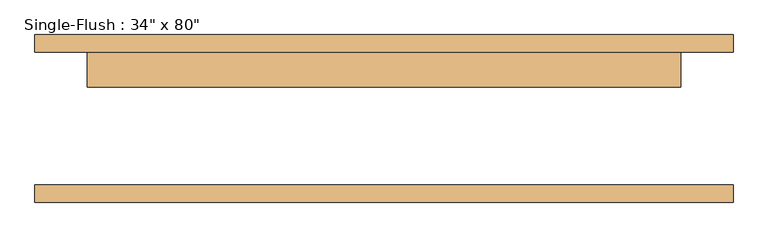
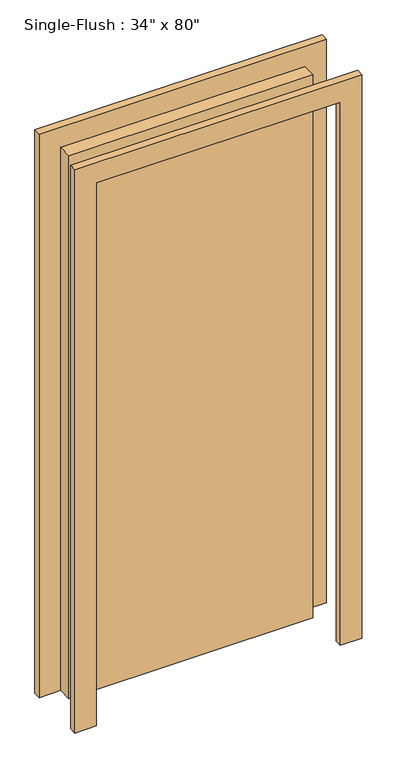
"""IFC4 building model written with IfcOpenShell, lengths in millimetres: door geometry."""

from ifc_helpers import new_model, si_unit, frame, origin, origin_with_axes, place, context, project, spatial, polyline, outline, extrude, source, transform, mapped, element, save


def door_eb1e2ad5(model_context):
    return source(origin(), model_context, "Body", "SweptSolid", [
        extrude(outline(polyline([(2108.2, -508.0), (0.0, -508.0), (0.0, -431.8), (2032.0, -431.8), (2032.0, 431.8), (0.0, 431.8), (0.0, 508.0), (2108.2, 508.0), (2108.2, -508.0)])), frame((0.0, 96.8375, 0.0), z_axis=(0.0, 1.0, 0.0), x_axis=(0.0, 0.0, 1.0)), (0.0, 0.0, 1.0), 25.4),
        extrude(outline(polyline([(2108.2, 508.0), (2108.2, -508.0), (0.0, -508.0), (0.0, -431.8), (2032.0, -431.8), (2032.0, 431.8), (0.0, 431.8), (0.0, 508.0), (2108.2, 508.0)])), frame((0.0, -122.2375, 0.0), z_axis=(0.0, 1.0, 0.0), x_axis=(0.0, 0.0, 1.0)), (0.0, 0.0, 1.0), 25.4),
        extrude(outline(polyline([(431.8, 46.0375), (-431.8, 46.0375), (-431.8, 96.8375), (431.8, 96.8375), (431.8, 46.0375)])), origin_with_axes(), (0.0, 0.0, 1.0), 2032.0),
    ])


if __name__ == "__main__":
    model = new_model("IFC4")
    model_context = context("Model", 3, world=origin())
    ifc_project = project(units=[si_unit("LENGTHUNIT", "METRE", prefix="MILLI")], contexts=[model_context])
    site = spatial("IfcSite", under=ifc_project)
    building = spatial("IfcBuilding", under=site)
    placement = place(None, origin())
    door_shape = door_eb1e2ad5(model_context)
    element("IfcDoor", 1, ObjectType="Single-Flush : 34\" x 80\"", at=placement, inside=building, context=model_context, shape_type="MappedRepresentation", body=[
        mapped(door_shape, transform((0.0, 0.0, 0.0), x_axis=(1.0, 0.0, 0.0), y_axis=(0.0, 1.0, 0.0), z_axis=(0.0, 0.0, 1.0))),
    ])
    save(model, "model.ifc")
